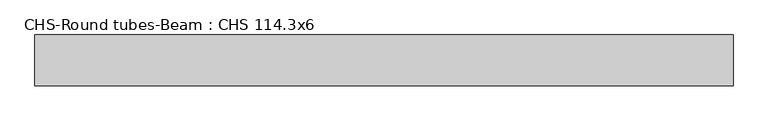
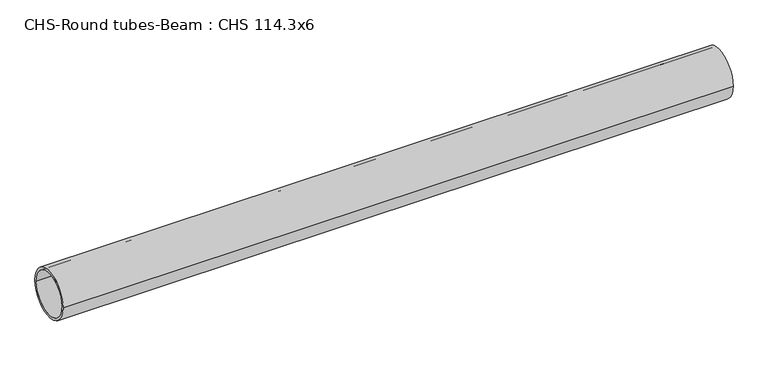
"""IFC4 building model written with IfcOpenShell, lengths in millimetres: beam geometry, CHS-Round tubes-Beam : CHS 114.3x6."""

from ifc_helpers import new_model, si_unit, point, frame, origin, origin_2d, place, context, project, spatial, circle_curve, trimmed, segment, composite_curve, outline, extrude, source, transform, mapped, element, save


def chs_round_tubes_beam_chs_114_3x6_2fd3625c(model_context):
    return source(origin(), model_context, "Body", "SweptSolid", [
        extrude(outline(composite_curve([segment(trimmed(circle_curve(origin_2d(), 57.15), [point((57.15, 0.0))], [point((-57.15, 0.0))], False, "CARTESIAN"), True, "CONTINUOUS"), segment(trimmed(circle_curve(origin_2d(), 57.15), [point((-57.15, 0.0))], [point((57.15, 0.0))], False, "CARTESIAN"), True, "CONTINUOUS")], self_intersect=False), holes=[composite_curve([segment(trimmed(circle_curve(origin_2d(), 51.15), [point((51.15, 0.0))], [point((-51.15, 0.0))], True, "CARTESIAN"), True, "CONTINUOUS"), segment(trimmed(circle_curve(origin_2d(), 51.15), [point((-51.15, 0.0))], [point((51.15, 0.0))], True, "CARTESIAN"), True, "CONTINUOUS")], self_intersect=False)]), frame((-776.5663963, 0.0, 0.0), z_axis=(1.0, 0.0, 0.0), x_axis=(0.0, 1.0, 0.0)), (0.0, 0.0, 1.0), 1566.2709413),
    ])


if __name__ == "__main__":
    model = new_model("IFC4")
    model_context = context("Model", 3, world=origin())
    ifc_project = project(units=[si_unit("LENGTHUNIT", "METRE", prefix="MILLI")], contexts=[model_context])
    site = spatial("IfcSite", under=ifc_project)
    building = spatial("IfcBuilding", under=site)
    placement = place(None, origin())
    chs_round_tubes_beam_chs_114_3x6_shape = chs_round_tubes_beam_chs_114_3x6_2fd3625c(model_context)
    element("IfcBeam", 1, ObjectType="CHS-Round tubes-Beam : CHS 114.3x6", at=placement, inside=building, context=model_context, shape_type="MappedRepresentation", body=[
        mapped(chs_round_tubes_beam_chs_114_3x6_shape, transform((0.0, 0.0, 0.0), x_axis=(1.0, 0.0, 0.0), y_axis=(0.0, 1.0, 0.0), z_axis=(0.0, 0.0, 1.0))),
    ])
    save(model, "model.ifc")
